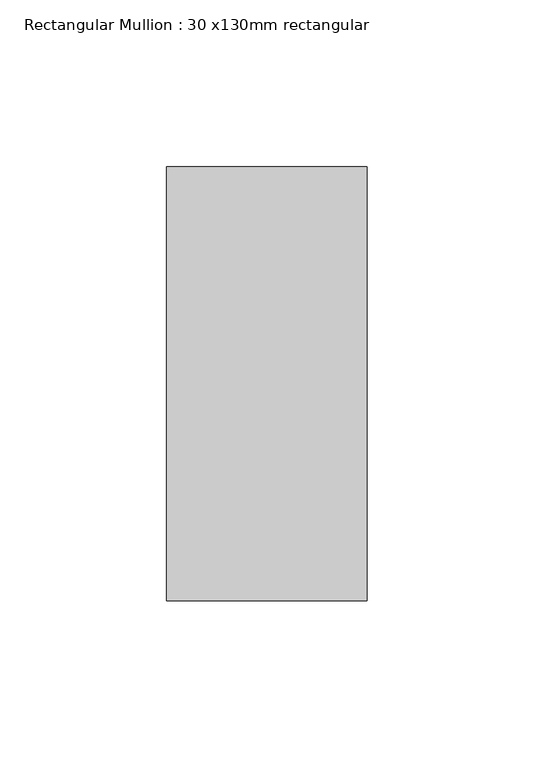
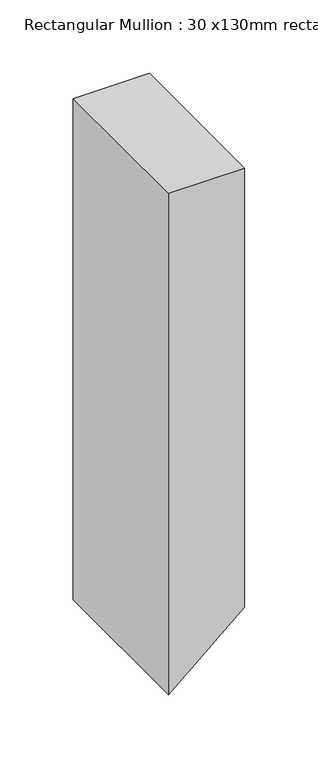
"""IFC4 building model written with IfcOpenShell, lengths in millimetres: member geometry, Rectangular Mullion : 30 x130mm rectangular."""

from ifc_helpers import new_model, si_unit, frame, origin, place, context, project, spatial, polyline, outline, extrude, source, transform, mapped, element, save


def rectangular_mullion_30_x130mm_rectangular_66911846(model_context):
    return source(origin(), model_context, "Body", "SweptSolid", [
        extrude(outline(polyline([(0.0, 30.0), (0.0, -30.0), (-417.3758452, -30.0), (-365.414321, 30.0), (0.0, 30.0)])), frame((0.0, -65.0, 0.0), z_axis=(0.0, 1.0, 0.0), x_axis=(0.0, 0.0, 1.0)), (0.0, 0.0, 1.0), 130.0),
    ])


if __name__ == "__main__":
    model = new_model("IFC4")
    model_context = context("Model", 3, world=origin())
    ifc_project = project(units=[si_unit("LENGTHUNIT", "METRE", prefix="MILLI")], contexts=[model_context])
    site = spatial("IfcSite", under=ifc_project)
    building = spatial("IfcBuilding", under=site)
    placement = place(None, origin())
    rectangular_mullion_30_x130mm_rectangular_shape = rectangular_mullion_30_x130mm_rectangular_66911846(model_context)
    element("IfcMember", 1, ObjectType="Rectangular Mullion : 30 x130mm rectangular", at=placement, inside=building, context=model_context, shape_type="MappedRepresentation", body=[
        mapped(rectangular_mullion_30_x130mm_rectangular_shape, transform((0.0, 0.0, 0.0), x_axis=(1.0, 0.0, 0.0), y_axis=(0.0, 1.0, 0.0), z_axis=(0.0, 0.0, 1.0))),
    ])
    save(model, "model.ifc")
